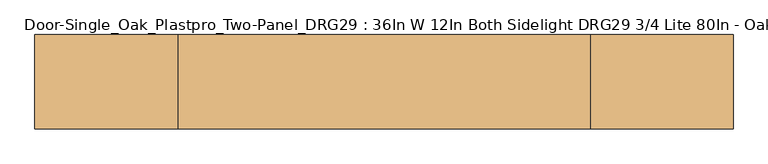
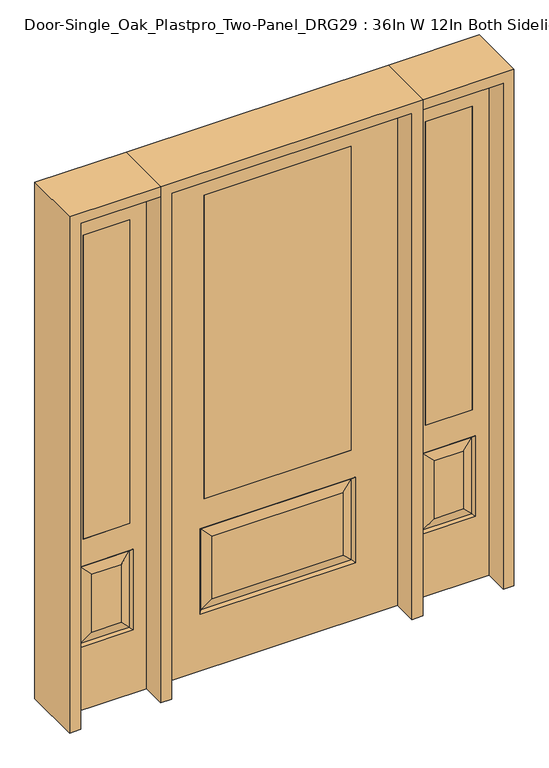
"""IFC4 building model written with IfcOpenShell, lengths in millimetres: door geometry, Door-Single_Oak_Plastpro_Two-Panel_DRG29 : 36In W 12In Both Sidelight DRG29 3/4 Lite 80In - Oak."""

from ifc_helpers import new_model, si_unit, frame, origin, place, context, project, spatial, polyline, outline, extrude, faceted_brep, source, transform, mapped, element, save


def door_single_oak_plastpro_two_panel_drg29_36in_w_12in_both_503af4eb(model_context):
    return source(origin(), model_context, "Body", "SolidModel", [
        extrude(outline(polyline([(-279.4, -20.6375), (-279.4, 20.6375), (279.4, 20.6375), (279.4, -20.6375), (-279.4, -20.6375)])), frame((0.0, 0.0, 685.8), z_axis=(0.0, 0.0, 1.0), x_axis=(1.0, 0.0, 0.0)), (0.0, 0.0, 1.0), 1219.2),
        faceted_brep([(-249.1224548, -20.6375, 274.7525452), (249.1224548, -20.6375, 274.7525452), (249.1224548, -20.6375, 525.3474548), (-249.1224548, -20.6375, 525.3474548), (457.2, -20.6375, 2032.0), (-457.2, -20.6375, 2032.0), (-457.2, -20.6375, 0.0), (457.2, -20.6375, 0.0), (295.1599548, -20.6375, 228.7150452), (-295.1599548, -20.6375, 228.7150452), (-295.1599548, -20.6375, 571.3849548), (295.1599548, -20.6375, 571.3849548), (-279.4, -20.6375, 1905.0), (279.4, -20.6375, 1905.0), (279.4, -20.6375, 685.8), (-279.4, -20.6375, 685.8), (-279.4, 20.6375, 1905.0), (-279.4, 20.6375, 685.8), (279.4, 20.6375, 685.8), (249.1224548, 20.6375, 274.7525452), (-249.1224548, 20.6375, 274.7525452), (-249.1224548, 20.6375, 525.3474548), (249.1224548, 20.6375, 525.3474548), (-457.2, 20.6375, 2032.0), (457.2, 20.6375, 2032.0), (457.2, 20.6375, 0.0), (-457.2, 20.6375, 0.0), (-295.1599548, 20.6375, 228.7150452), (295.1599548, 20.6375, 228.7150452), (295.1599548, 20.6375, 571.3849548), (-295.1599548, 20.6375, 571.3849548), (279.4, 20.6375, 1905.0), (286.1796986, -11.6572439, 237.6953014), (-286.1796986, -11.6572439, 237.6953014), (-286.1796986, -11.6572439, 562.4046986), (286.1796986, -11.6572439, 562.4046986), (286.1796986, 11.6572439, 237.6953014), (-286.1796986, 11.6572439, 237.6953014), (-286.1796986, 11.6572439, 562.4046986), (286.1796986, 11.6572439, 562.4046986)], [[[0, 1, 2, 3]], [[4, 5, 6, 7], [8, 9, 10, 11], [12, 13, 14, 15]], [[16, 12, 15, 17]], [[17, 15, 14, 18]], [[19, 20, 21, 22]], [[23, 24, 25, 26], [27, 28, 29, 30], [31, 16, 17, 18]], [[13, 31, 18, 14]], [[6, 26, 25, 7]], [[5, 23, 26, 6]], [[24, 4, 7, 25]], [[32, 33, 9, 8]], [[9, 33, 34, 10]], [[10, 34, 35, 11]], [[32, 8, 11, 35]], [[33, 32, 1, 0]], [[1, 32, 35, 2]], [[34, 3, 2, 35]], [[33, 0, 3, 34]], [[36, 37, 20, 19]], [[20, 37, 38, 21]], [[21, 38, 39, 22]], [[36, 19, 22, 39]], [[37, 36, 28, 27]], [[28, 36, 39, 29]], [[38, 30, 29, 39]], [[37, 27, 30, 38]], [[12, 16, 31, 13]], [[5, 4, 24, 23]]]),
        extrude(outline(polyline([(739.775, -20.6375), (561.975, -20.6375), (561.975, 20.6375), (739.775, 20.6375), (739.775, -20.6375)])), frame((0.0, 0.0, 685.8), z_axis=(0.0, 0.0, 1.0), x_axis=(1.0, 0.0, 0.0)), (0.0, 0.0, 1.0), 1219.2),
        faceted_brep([(739.775, -20.6375, 1905.0), (561.975, -20.6375, 1905.0), (561.975, 20.6375, 1905.0), (739.775, 20.6375, 1905.0), (706.3224548, -20.6375, 531.6974548), (595.4275452, -20.6375, 531.6974548), (595.4275452, -20.6375, 300.1525452), (706.3224548, -20.6375, 300.1525452), (498.475, -20.6375, 2032.0), (498.475, -20.6375, 0.0), (803.275, -20.6375, 0.0), (803.275, -20.6375, 2032.0), (739.775, -20.6375, 685.8), (561.975, -20.6375, 685.8), (752.3599548, -20.6375, 254.1150452), (549.3900452, -20.6375, 254.1150452), (549.3900452, -20.6375, 577.7349548), (752.3599548, -20.6375, 577.7349548), (743.3796986, 11.6572439, 568.7546986), (752.3599548, 20.6375, 577.7349548), (752.3599548, 20.6375, 254.1150452), (743.3796986, 11.6572439, 263.0953014), (558.3703014, 11.6572439, 568.7546986), (549.3900452, 20.6375, 577.7349548), (706.3224548, 20.6375, 300.1525452), (706.3224548, 20.6375, 531.6974548), (739.775, 20.6375, 685.8), (561.975, 20.6375, 685.8), (558.3703014, -11.6572439, 263.0953014), (743.3796986, -11.6572439, 263.0953014), (558.3703014, -11.6572439, 568.7546986), (743.3796986, -11.6572439, 568.7546986), (498.475, 20.6375, 2032.0), (803.275, 20.6375, 2032.0), (498.475, 20.6375, 0.0), (803.275, 20.6375, 0.0), (549.3900452, 20.6375, 254.1150452), (595.4275452, 20.6375, 300.1525452), (595.4275452, 20.6375, 531.6974548), (558.3703014, 11.6572439, 263.0953014)], [[[0, 1, 2, 3]], [[4, 5, 6, 7]], [[8, 9, 10, 11], [0, 12, 13, 1], [14, 15, 16, 17]], [[18, 19, 20, 21]], [[18, 22, 23, 19]], [[21, 24, 25, 18]], [[26, 27, 13, 12]], [[7, 6, 28, 29]], [[6, 5, 30, 28]], [[29, 14, 17, 31]], [[32, 8, 11, 33]], [[34, 35, 10, 9]], [[32, 34, 9, 8]], [[11, 10, 35, 33]], [[33, 35, 34, 32], [19, 23, 36, 20], [2, 27, 26, 3]], [[24, 37, 38, 25]], [[20, 36, 39, 21]], [[36, 23, 22, 39]], [[25, 38, 22, 18]], [[39, 22, 38, 37]], [[21, 39, 37, 24]], [[3, 26, 12, 0]], [[1, 13, 27, 2]], [[31, 4, 7, 29]], [[31, 30, 5, 4]], [[17, 16, 30, 31]], [[28, 30, 16, 15]], [[29, 28, 15, 14]]]),
        extrude(outline(polyline([(-739.775, -20.6375), (-739.775, 20.6375), (-561.975, 20.6375), (-561.975, -20.6375), (-739.775, -20.6375)])), frame((0.0, 0.0, 685.8), z_axis=(0.0, 0.0, 1.0), x_axis=(1.0, 0.0, 0.0)), (0.0, 0.0, 1.0), 1219.2),
        faceted_brep([(-739.775, -20.6375, 1905.0), (-739.775, 20.6375, 1905.0), (-561.975, 20.6375, 1905.0), (-561.975, -20.6375, 1905.0), (-706.3224548, -20.6375, 531.6974548), (-706.3224548, -20.6375, 300.1525452), (-595.4275452, -20.6375, 300.1525452), (-595.4275452, -20.6375, 531.6974548), (-498.475, -20.6375, 2032.0), (-803.275, -20.6375, 2032.0), (-803.275, -20.6375, 0.0), (-498.475, -20.6375, 0.0), (-752.3599548, -20.6375, 254.1150452), (-752.3599548, -20.6375, 577.7349548), (-549.3900452, -20.6375, 577.7349548), (-549.3900452, -20.6375, 254.1150452), (-561.975, -20.6375, 685.8), (-739.775, -20.6375, 685.8), (-743.3796986, 11.6572439, 568.7546986), (-743.3796986, 11.6572439, 263.0953014), (-752.3599548, 20.6375, 254.1150452), (-752.3599548, 20.6375, 577.7349548), (-549.3900452, 20.6375, 577.7349548), (-558.3703014, 11.6572439, 568.7546986), (-706.3224548, 20.6375, 531.6974548), (-706.3224548, 20.6375, 300.1525452), (-739.775, 20.6375, 685.8), (-561.975, 20.6375, 685.8), (-743.3796986, -11.6572439, 263.0953014), (-558.3703014, -11.6572439, 263.0953014), (-558.3703014, -11.6572439, 568.7546986), (-743.3796986, -11.6572439, 568.7546986), (-498.475, 20.6375, 2032.0), (-803.275, 20.6375, 2032.0), (-498.475, 20.6375, 0.0), (-803.275, 20.6375, 0.0), (-549.3900452, 20.6375, 254.1150452), (-595.4275452, 20.6375, 531.6974548), (-595.4275452, 20.6375, 300.1525452), (-558.3703014, 11.6572439, 263.0953014)], [[[0, 1, 2, 3]], [[4, 5, 6, 7]], [[8, 9, 10, 11], [12, 13, 14, 15], [0, 3, 16, 17]], [[18, 19, 20, 21]], [[18, 21, 22, 23]], [[19, 18, 24, 25]], [[26, 17, 16, 27]], [[5, 28, 29, 6]], [[6, 29, 30, 7]], [[28, 31, 13, 12]], [[32, 33, 9, 8]], [[34, 11, 10, 35]], [[32, 8, 11, 34]], [[9, 33, 35, 10]], [[33, 32, 34, 35], [21, 20, 36, 22], [2, 1, 26, 27]], [[25, 24, 37, 38]], [[20, 19, 39, 36]], [[36, 39, 23, 22]], [[24, 18, 23, 37]], [[39, 38, 37, 23]], [[19, 25, 38, 39]], [[1, 0, 17, 26]], [[3, 2, 27, 16]], [[31, 28, 5, 4]], [[31, 4, 7, 30]], [[13, 31, 30, 14]], [[29, 15, 14, 30]], [[28, 12, 15, 29]]]),
        extrude(outline(polyline([(2032.0, -498.475), (2073.275, -498.475), (2073.275, -844.55), (0.0, -844.55), (0.0, -803.275), (2032.0, -803.275), (2032.0, -498.475)])), frame((0.0, -114.3, 0.0), z_axis=(0.0, 1.0, 0.0), x_axis=(0.0, 0.0, 1.0)), (0.0, 0.0, 1.0), 228.6),
        extrude(outline(polyline([(2073.275, -498.475), (0.0, -498.475), (0.0, -457.2), (2032.0, -457.2), (2032.0, 457.2), (0.0, 457.2), (0.0, 498.475), (2073.275, 498.475), (2073.275, -498.475)])), frame((0.0, -114.3, 0.0), z_axis=(0.0, 1.0, 0.0), x_axis=(0.0, 0.0, 1.0)), (0.0, 0.0, 1.0), 228.6),
        extrude(outline(polyline([(0.0, 803.275), (0.0, 844.55), (2073.275, 844.55), (2073.275, 498.475), (2032.0, 498.475), (2032.0, 803.275), (0.0, 803.275)])), frame((0.0, -114.3, 0.0), z_axis=(0.0, 1.0, 0.0), x_axis=(0.0, 0.0, 1.0)), (0.0, 0.0, 1.0), 228.6),
    ])


if __name__ == "__main__":
    model = new_model("IFC4")
    model_context = context("Model", 3, world=origin())
    ifc_project = project(units=[si_unit("LENGTHUNIT", "METRE", prefix="MILLI")], contexts=[model_context])
    site = spatial("IfcSite", under=ifc_project)
    building = spatial("IfcBuilding", under=site)
    placement = place(None, origin())
    door_single_oak_plastpro_two_panel_drg29_36in_w_12in_both_shape = door_single_oak_plastpro_two_panel_drg29_36in_w_12in_both_503af4eb(model_context)
    element("IfcDoor", 1, ObjectType="Door-Single_Oak_Plastpro_Two-Panel_DRG29 : 36In W 12In Both Sidelight DRG29 3/4 Lite 80In - Oak", at=placement, inside=building, context=model_context, shape_type="MappedRepresentation", body=[
        mapped(door_single_oak_plastpro_two_panel_drg29_36in_w_12in_both_shape, transform((0.0, 0.0, 0.0), x_axis=(1.0, 0.0, 0.0), y_axis=(0.0, 1.0, 0.0), z_axis=(0.0, 0.0, 1.0))),
    ])
    save(model, "model.ifc")
